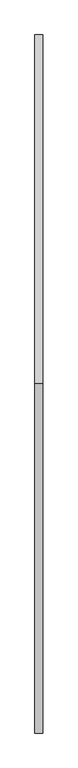
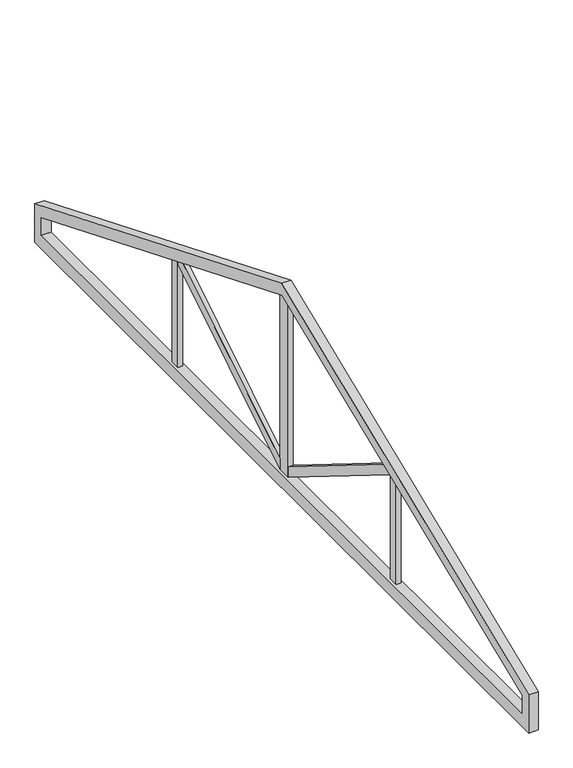
"""IFC4 building model written with IfcOpenShell, lengths in millimetres: beam geometry."""

from ifc_helpers import new_model, si_unit, frame, origin, place, context, project, spatial, polyline, outline, extrude, source, transform, mapped, element, save


def beam_1014098b(model_context):
    return source(origin(), model_context, "Body", "SweptSolid", [
        extrude(outline(polyline([(3750.0, 2270.0), (8250.0, 427.1674285), (8250.0, 0.0), (-750.0, 0.0), (-750.0, 427.1674285), (3750.0, 2270.0)]), holes=[polyline([(3750.0, 2140.3275048), (-630.0, 346.6371352), (-630.0, 150.0), (8130.0, 150.0), (8130.0, 346.6371352), (3750.0, 2140.3275048)])]), frame((-50.0, 0.0, 0.0), z_axis=(1.0, 0.0, 0.0), x_axis=(0.0, 1.0, 0.0)), (0.0, 0.0, 1.0), 100.0),
        extrude(outline(polyline([(3675.0, 267.7283241), (3675.0, 150.0), (1810.5472527, 1308.3576932), (1810.5472527, 1346.0860173), (1888.1565769, 1377.8684597), (3675.0, 267.7283241)])), frame((-25.0, 0.0, 0.0), z_axis=(1.0, 0.0, 0.0), x_axis=(0.0, 1.0, 0.0)), (0.0, 0.0, 1.0), 50.0),
        extrude(outline(polyline([(3825.0, 150.0), (3825.0, 267.7283241), (5611.8434231, 1377.8684597), (5689.4527473, 1346.0860173), (5689.4527473, 1308.3576932), (3825.0, 150.0)])), frame((-25.0, 0.0, 0.0), z_axis=(1.0, 0.0, 0.0), x_axis=(0.0, 1.0, 0.0)), (0.0, 0.0, 1.0), 50.0),
        extrude(outline(polyline([(3675.0, 2109.6136286), (3750.0, 2140.3275048), (3825.0, 2109.6136286), (3825.0, 150.0), (3675.0, 150.0), (3675.0, 2109.6136286)])), frame((-25.0, 0.0, 0.0), z_axis=(1.0, 0.0, 0.0), x_axis=(0.0, 1.0, 0.0)), (0.0, 0.0, 1.0), 50.0),
        extrude(outline(polyline([(5689.4527473, 1346.0860173), (5789.4527473, 1305.1341824), (5789.4527473, 150.0), (5689.4527473, 150.0), (5689.4527473, 1346.0860173)])), frame((-25.0, 0.0, 0.0), z_axis=(1.0, 0.0, 0.0), x_axis=(0.0, 1.0, 0.0)), (0.0, 0.0, 1.0), 50.0),
        extrude(outline(polyline([(1810.5472527, 1346.0860173), (1810.5472527, 150.0), (1710.5472527, 150.0), (1710.5472527, 1305.1341824), (1810.5472527, 1346.0860173)])), frame((-25.0, 0.0, 0.0), z_axis=(1.0, 0.0, 0.0), x_axis=(0.0, 1.0, 0.0)), (0.0, 0.0, 1.0), 50.0),
    ])


if __name__ == "__main__":
    model = new_model("IFC4")
    model_context = context("Model", 3, world=origin())
    ifc_project = project(units=[si_unit("LENGTHUNIT", "METRE", prefix="MILLI")], contexts=[model_context])
    site = spatial("IfcSite", under=ifc_project)
    building = spatial("IfcBuilding", under=site)
    placement = place(None, origin())
    beam_shape = beam_1014098b(model_context)
    element("IfcBeam", 1, at=placement, inside=building, context=model_context, shape_type="MappedRepresentation", body=[
        mapped(beam_shape, transform((0.0, 0.0, 0.0), x_axis=(1.0, 0.0, 0.0), y_axis=(0.0, 1.0, 0.0), z_axis=(0.0, 0.0, 1.0))),
    ])
    save(model, "model.ifc")
